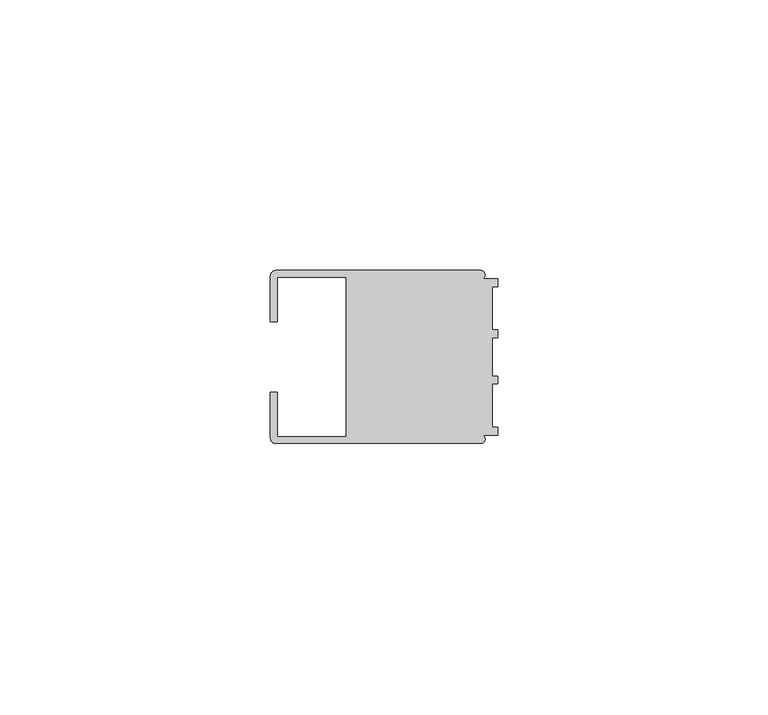
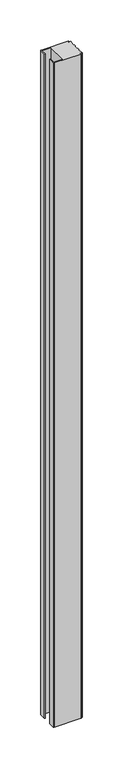
"""IFC4 building model written with IfcOpenShell, lengths in millimetres: member geometry."""

from ifc_helpers import new_model, si_unit, point, frame, frame_2d, origin, place, context, project, spatial, polyline, circle_curve, trimmed, segment, composite_curve, outline, extrude, source, transform, mapped, element, save


def member_5b157d2e(model_context):
    return source(origin(), model_context, "Body", "SweptSolid", [
        extrude(outline(composite_curve([segment(polyline([(-42.0, -6.4992596), (-40.7495396, -6.4992596), (-40.7495396, -14.748825), (-28.0, -14.748825), (-28.0, 14.7490791), (-40.7495396, 14.7490791), (-40.7495396, 6.4995138), (-42.0, 6.4995138), (-42.0, 14.9988146)]), True, "CONTINUOUS"), segment(trimmed(circle_curve(frame_2d((-40.9988146, 14.9988146)), 1.0011854), [point((-42.0, 14.9988146))], [point((-40.9988146, 16.0))], False, "CARTESIAN"), True, "CONTINUOUS"), segment(polyline([(-40.9988146, 16.0), (-3.1117213, 16.0)]), True, "CONTINUOUS"), segment(trimmed(circle_curve(frame_2d((-3.1117213, 15.2000428)), 0.7999572), [point((-3.1117213, 16.0))], [point((-2.7237818, 14.5004469))], False, "CARTESIAN"), True, "CONTINUOUS"), segment(polyline([(-2.7237818, 14.5004469), (0.0, 14.5004469), (0.0, 13.0002136), (-0.999267, 13.0002136), (-0.999267, 5.0005709), (0.0, 5.0005709), (0.0, 3.5391588), (-0.999267, 3.5001879), (-0.999267, -3.5001879), (0.0, -3.5378881), (0.0, -4.9993001), (-0.999267, -4.9993001), (-0.999267, -12.9993664), (0.0, -12.9993664), (0.0, -14.4989182), (-2.7260256, -14.4989182)]), True, "CONTINUOUS"), segment(trimmed(circle_curve(frame_2d((-3.1117577, -15.2001372)), 0.8003107), [point((-2.7260256, -14.4989182))], [point((-3.1385263, -16.0))], False, "CARTESIAN"), True, "CONTINUOUS"), segment(polyline([(-3.1385263, -16.0), (-40.998921, -16.0)]), True, "CONTINUOUS"), segment(trimmed(circle_curve(frame_2d((-40.998921, -14.998921)), 1.001079), [point((-40.998921, -16.0))], [point((-42.0, -14.998921))], False, "CARTESIAN"), True, "CONTINUOUS"), segment(polyline([(-42.0, -14.998921), (-42.0, -6.4992596)]), True, "CONTINUOUS")], self_intersect=False)), frame((0.0, 0.0, -999.9999998), z_axis=(0.0, 0.0, 1.0), x_axis=(1.0, 0.0, 0.0)), (0.0, 0.0, 1.0), 999.9999998),
    ])


if __name__ == "__main__":
    model = new_model("IFC4")
    model_context = context("Model", 3, world=origin())
    ifc_project = project(units=[si_unit("LENGTHUNIT", "METRE", prefix="MILLI")], contexts=[model_context])
    site = spatial("IfcSite", under=ifc_project)
    building = spatial("IfcBuilding", under=site)
    placement = place(None, origin())
    member_shape = member_5b157d2e(model_context)
    element("IfcMember", 1, at=placement, inside=building, context=model_context, shape_type="MappedRepresentation", body=[
        mapped(member_shape, transform((0.0, 0.0, 0.0), x_axis=(1.0, 0.0, 0.0), y_axis=(0.0, 1.0, 0.0), z_axis=(0.0, 0.0, 1.0))),
    ])
    save(model, "model.ifc")
